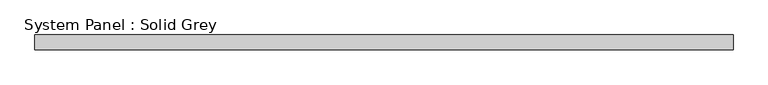
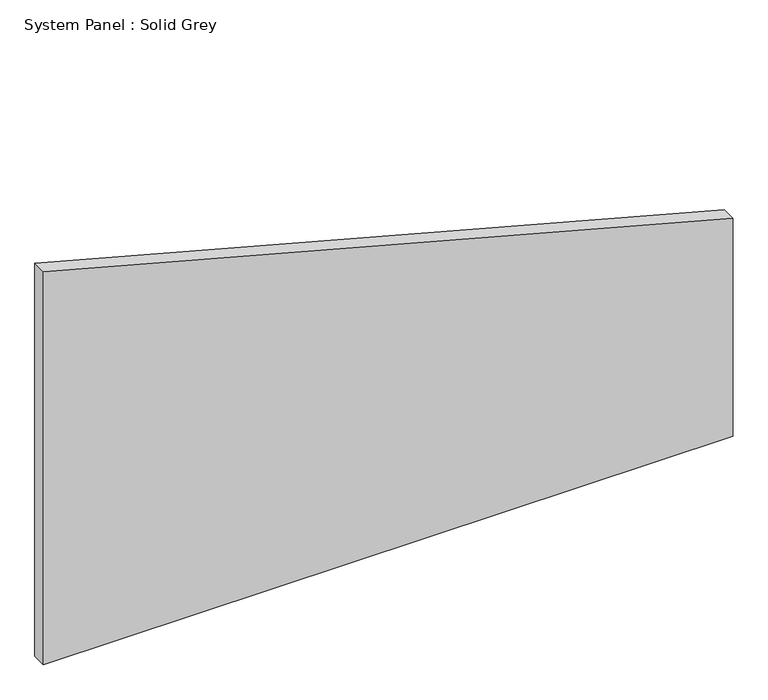
"""IFC4 building model written with IfcOpenShell, lengths in millimetres: plate geometry, System Panel : Solid Grey."""

from ifc_helpers import new_model, si_unit, frame, origin, place, context, project, spatial, polyline, outline, extrude, source, transform, mapped, element, save


def system_panel_solid_grey_4ec630b0(model_context):
    return source(origin(), model_context, "Body", "SweptSolid", [
        extrude(outline(polyline([(0.0, -1425.0), (0.0, 1425.0), (952.9819279, 1425.0), (1716.6371263, -1425.0), (0.0, -1425.0)])), frame((0.0, -30.0, 0.0), z_axis=(0.0, 1.0, 0.0), x_axis=(0.0, 0.0, 1.0)), (0.0, 0.0, 1.0), 60.0),
    ])


if __name__ == "__main__":
    model = new_model("IFC4")
    model_context = context("Model", 3, world=origin())
    ifc_project = project(units=[si_unit("LENGTHUNIT", "METRE", prefix="MILLI")], contexts=[model_context])
    site = spatial("IfcSite", under=ifc_project)
    building = spatial("IfcBuilding", under=site)
    placement = place(None, origin())
    system_panel_solid_grey_shape = system_panel_solid_grey_4ec630b0(model_context)
    element("IfcPlate", 1, ObjectType="System Panel : Solid Grey", at=placement, inside=building, context=model_context, shape_type="MappedRepresentation", body=[
        mapped(system_panel_solid_grey_shape, transform((0.0, 0.0, 0.0), x_axis=(1.0, 0.0, 0.0), y_axis=(0.0, 1.0, 0.0), z_axis=(0.0, 0.0, 1.0))),
    ])
    save(model, "model.ifc")
